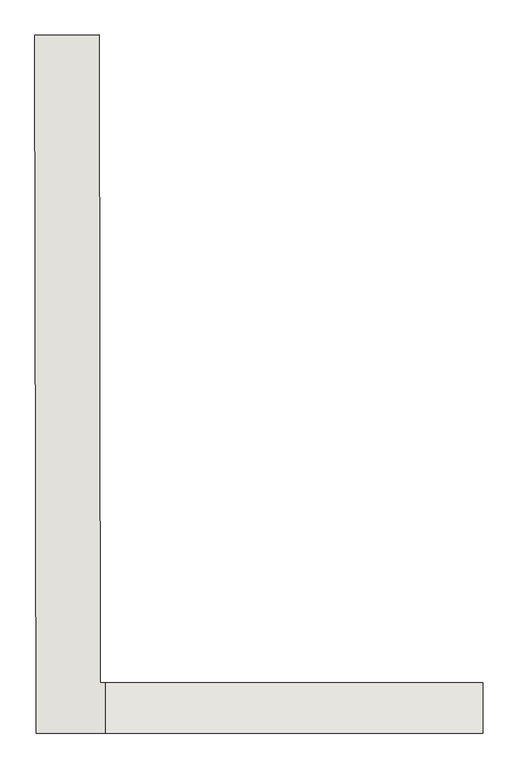
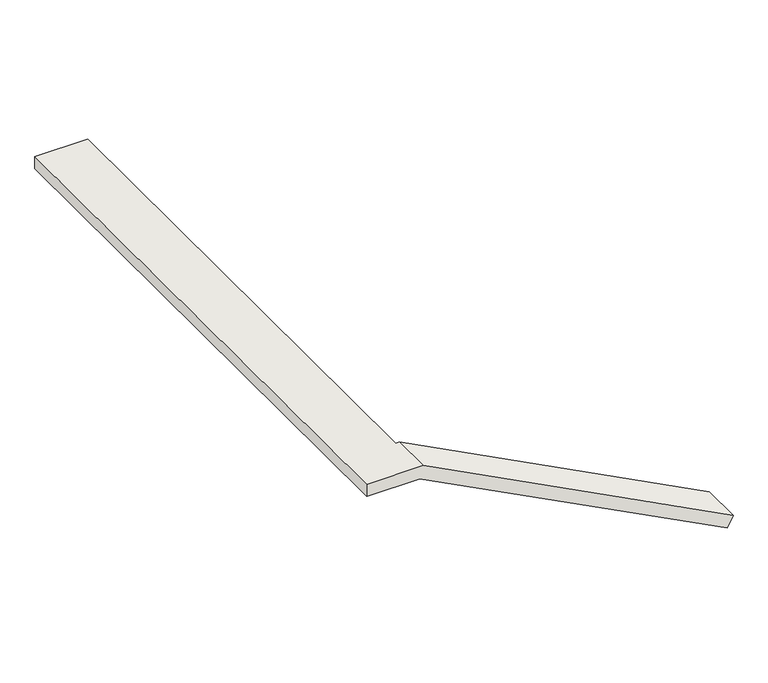
"""IFC4 building model written with IfcOpenShell, lengths in millimetres: wall geometry."""

from ifc_helpers import new_model, si_unit, origin, place, context, project, spatial, faceted_brep, source, transform, mapped, element, save


def wall_4e31f0cf(model_context):
    return source(origin(), model_context, "Body", "Brep", [
        faceted_brep([(11982.5002432, 122413.4366614, 4326.0), (11574.8041298, 122412.6411119, 4326.0), (11574.8041298, 122412.6411119, 4424.8523528), (11982.5002432, 122413.4366614, 4424.8523528), (11990.5200508, 118303.5170073, 4326.0), (11995.6844142, 118303.5170073, 4326.0), (11995.6844142, 117985.7521884, 4326.0), (11583.4424489, 117985.7521884, 4326.0), (11583.4424489, 117985.7521884, 4424.8523528), (12019.8280201, 117985.7521884, 4424.8523528), (12019.8280201, 118303.5170073, 4424.8523528), (11990.5200508, 118303.5170073, 4424.8523528), (14417.7221174, 118303.5170073, 3179.2287025), (14372.1532144, 118303.5170073, 3091.5060558), (14417.7221174, 117985.7521884, 3179.2287025), (14372.1532144, 117985.7521884, 3091.5060558)], [[[0, 1, 2, 3]], [[1, 0, 4, 5, 6, 7]], [[2, 1, 7, 8]], [[3, 2, 8, 9, 10, 11]], [[0, 3, 11, 4]], [[5, 4, 11, 10, 12, 13]], [[13, 12, 14, 15]], [[5, 13, 15, 6]], [[12, 10, 9, 14]], [[7, 6, 15, 14, 9, 8]]]),
    ])


if __name__ == "__main__":
    model = new_model("IFC4")
    model_context = context("Model", 3, world=origin())
    ifc_project = project(units=[si_unit("LENGTHUNIT", "METRE", prefix="MILLI")], contexts=[model_context])
    site = spatial("IfcSite", under=ifc_project)
    building = spatial("IfcBuilding", under=site)
    placement = place(None, origin())
    wall_shape = wall_4e31f0cf(model_context)
    element("IfcWall", 1, at=placement, inside=building, context=model_context, shape_type="MappedRepresentation", body=[
        mapped(wall_shape, transform((0.0, 0.0, 0.0), x_axis=(1.0, 0.0, 0.0), y_axis=(0.0, 1.0, 0.0), z_axis=(0.0, 0.0, 1.0))),
    ])
    save(model, "model.ifc")
